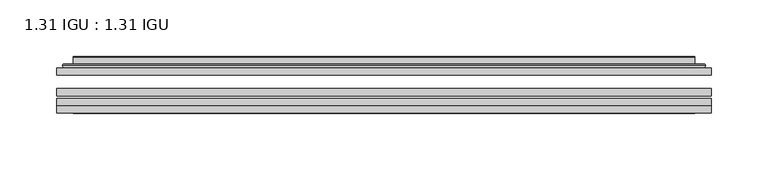
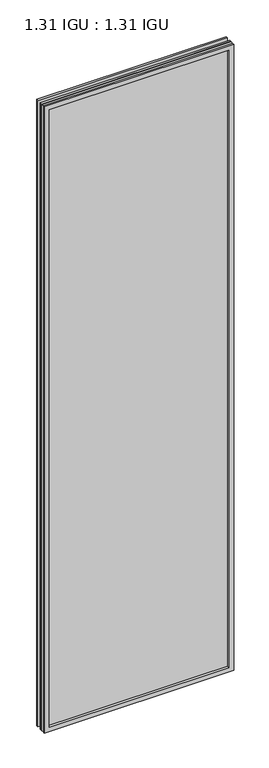
"""IFC4 building model written with IfcOpenShell, lengths in millimetres: plate geometry, 1.31 IGU : 1.31 IGU."""

from ifc_helpers import new_model, si_unit, frame, origin, place, context, project, spatial, polyline, ellipse_curve, outline, extrude, faceted_brep, source, transform, mapped, element, save
from ifc_brep_helpers import plane_surface, cylinder_surface, advanced_brep


def plate_1_31_igu_1_31_igu_a80e50a6(model_context):
    return source(origin(), model_context, "Body", "SolidModel", [
        extrude(outline(polyline([(287.351675, -63.59525), (287.351675, -69.94525), (-287.3375, -69.94525), (-287.3375, -63.59525), (287.351675, -63.59525)])), frame((0.0, 0.0, -14.2875), z_axis=(0.0, 0.0, 1.0), x_axis=(1.0, 0.0, 0.0)), (0.0, 0.0, 1.0), 2009.8015278),
        extrude(outline(polyline([(-287.3375, -78.58125), (-287.3375, -72.230745), (287.351675, -72.230745), (287.351675, -78.58125), (-287.3375, -78.58125)])), frame((0.0, 0.0, -14.2875), z_axis=(0.0, 0.0, 1.0), x_axis=(1.0, 0.0, 0.0)), (0.0, 0.0, 1.0), 2009.8015278),
        extrude(outline(polyline([(287.351675, -45.25645), (287.351675, -51.60645), (-287.3375, -51.60645), (-287.3375, -45.25645), (287.351675, -45.25645)])), frame((0.0, 0.0, -14.2875), z_axis=(0.0, 0.0, 1.0), x_axis=(1.0, 0.0, 0.0)), (0.0, 0.0, 1.0), 2009.8015278),
        faceted_brep([(-287.3502, -84.93125, 1995.5229299), (-287.3502, -78.58125, 1995.5229299), (-287.3502, -78.58125, -14.3002), (-287.3502, -84.93125, -14.3002), (287.3502, -78.58125, -14.3002), (287.3502, -84.93125, -14.3002), (287.3502, -78.58125, 1995.5229299), (287.3502, -84.93125, 1995.5229299), (-272.1522559, -78.58125, 0.8977441), (272.1522559, -78.58125, 0.8977441), (272.1522559, -78.58125, 1980.3249858), (-272.1522559, -78.58125, 1980.3249858), (-273.0446902, -84.93125, 1981.2174201), (273.0446902, -84.93125, 1981.2174201), (273.0446902, -84.93125, 0.0053098), (-273.0446902, -84.93125, 0.0053098)], [[[0, 1, 2, 3]], [[3, 2, 4, 5]], [[5, 4, 6, 7]], [[1, 6, 4, 2], [8, 9, 10, 11]], [[7, 6, 1, 0]], [[3, 5, 7, 0], [12, 13, 14, 15]], [[11, 12, 15, 8]], [[8, 15, 14, 9]], [[9, 14, 13, 10]], [[10, 13, 12, 11]]]),
        advanced_brep(
        [(-280.096219, -45.25645, 1988.2689489), (-282.4504244, -43.2667833, 1990.6231543), (-282.4504244, -43.2667833, -9.4004244), (-280.096219, -45.25645, -7.046219), (-271.0218939, -41.416413, 1979.1946238), (-266.0870621, -45.25645, 1974.2597919), (-266.0870621, -45.25645, 6.9629379), (-271.0218939, -41.416413, 2.0281061), (-272.0539217, -36.0191819, 1980.2266515), (-272.0539217, -36.0191819, 0.9960783), (-273.0445784, -35.6202069, 1981.2173083), (-273.0445784, -35.6202069, 0.0054216), (-273.0445784, -42.08145, 1981.2173083), (-273.0445784, -42.08145, 0.0054216), (-281.4486349, -42.08145, 1989.6213648), (-281.4486349, -42.08145, -8.3986349), (282.4504244, -43.2667833, -9.4004244), (280.096219, -45.25645, -7.046219), (266.0870621, -45.25645, 6.9629379), (271.0218939, -41.416413, 2.0281061), (272.0539217, -36.0191819, 0.9960783), (273.0445784, -35.6202069, 0.0054216), (273.0445784, -42.08145, 0.0054216), (281.4486349, -42.08145, -8.3986349), (282.4504244, -43.2667833, 1990.6231543), (280.096219, -45.25645, 1988.2689489), (266.0870621, -45.25645, 1974.2597919), (271.0218939, -41.416413, 1979.1946238), (272.0539217, -36.0191819, 1980.2266515), (273.0445784, -35.6202069, 1981.2173083), (273.0445784, -42.08145, 1981.2173083), (281.4486349, -42.08145, 1989.6213648)],
        [
            (0, 1, ellipse_curve(frame((-280.096219, -42.86885, 1988.2689489), z_axis=(-0.7071067811865475, 0.0, -0.7071067811865475), x_axis=(-0.7071067811865474, 0.0, 0.7071067811865476)), 3.3765763, 2.3876)),
            (1, 2),
            (2, 3, ellipse_curve(frame((-280.096219, -42.86885, -7.046219), z_axis=(-0.7071067811865475, 0.0, 0.7071067811865475), x_axis=(0.7071067811865474, 0.0, 0.7071067811865476)), 3.3765763, 2.3876)),
            (3, 0),
            (4, 5),
            (5, 6),
            (6, 7),
            (7, 4),
            (8, 4),
            (7, 9),
            (9, 8),
            (10, 8, ellipse_curve(frame((-272.6776219, -36.1384423, 1980.8503517), z_axis=(-0.7071067811865475, 0.0, -0.7071067811865475), x_axis=(-0.7071067811865474, 0.0, 0.7071067811865476)), 0.8980256, 0.635)),
            (9, 11, ellipse_curve(frame((-272.6776219, -36.1384423, 0.3723781), z_axis=(-0.7071067811865475, 0.0, 0.7071067811865475), x_axis=(0.7071067811865474, 0.0, 0.7071067811865476)), 0.8980256, 0.635)),
            (11, 10),
            (12, 10),
            (11, 13),
            (13, 12),
            (1, 14, ellipse_curve(frame((-281.4486349, -43.09745, 1989.6213648), z_axis=(-0.7071067811865475, 0.0, -0.7071067811865475), x_axis=(-0.7071067811865474, 0.0, 0.7071067811865476)), 1.436841, 1.016)),
            (14, 15),
            (15, 2, ellipse_curve(frame((-281.4486349, -43.09745, -8.3986349), z_axis=(-0.7071067811865475, 0.0, 0.7071067811865475), x_axis=(0.7071067811865474, 0.0, 0.7071067811865476)), 1.436841, 1.016)),
            (2, 16),
            (16, 17, ellipse_curve(frame((280.096219, -42.86885, -7.046219), z_axis=(-0.7071067811865475, 0.0, -0.7071067811865475), x_axis=(-0.7071067811865476, 0.0, 0.7071067811865474)), 3.3765763, 2.3876)),
            (17, 3),
            (6, 18),
            (18, 19),
            (19, 7),
            (19, 20),
            (20, 9),
            (20, 21, ellipse_curve(frame((272.6776219, -36.1384423, 0.3723781), z_axis=(-0.7071067811865475, 0.0, -0.7071067811865475), x_axis=(-0.7071067811865476, 0.0, 0.7071067811865474)), 0.8980256, 0.635)),
            (21, 11),
            (21, 22),
            (22, 13),
            (15, 23),
            (23, 16, ellipse_curve(frame((281.4486349, -43.09745, -8.3986349), z_axis=(-0.7071067811865475, 0.0, -0.7071067811865475), x_axis=(-0.7071067811865476, 0.0, 0.7071067811865474)), 1.436841, 1.016)),
            (16, 24),
            (24, 25, ellipse_curve(frame((280.096219, -42.86885, 1988.2689489), z_axis=(0.7071067811865475, 0.0, -0.7071067811865475), x_axis=(-0.7071067811865474, 0.0, -0.7071067811865476)), 3.3765763, 2.3876)),
            (25, 17),
            (18, 26),
            (26, 27),
            (27, 19),
            (27, 28),
            (28, 20),
            (28, 29, ellipse_curve(frame((272.6776219, -36.1384423, 1980.8503517), z_axis=(0.7071067811865475, 0.0, -0.7071067811865475), x_axis=(-0.7071067811865474, 0.0, -0.7071067811865476)), 0.8980256, 0.635)),
            (29, 21),
            (29, 30),
            (30, 22),
            (23, 31),
            (31, 24, ellipse_curve(frame((281.4486349, -43.09745, 1989.6213648), z_axis=(0.7071067811865475, 0.0, -0.7071067811865475), x_axis=(-0.7071067811865474, 0.0, -0.7071067811865476)), 1.436841, 1.016)),
            (24, 1),
            (0, 25),
            (5, 26),
            (4, 27),
            (8, 28),
            (10, 29),
            (12, 30),
            (14, 31),
        ],
        [
            cylinder_surface(frame((-280.096219, -42.86885, 2012.9727299), z_axis=(0.0, 0.0, 1.0), x_axis=(-1.0, 0.0, 0.0)), 2.3876),
            plane_surface(frame((-266.0870621, -45.25645, 1974.2597919), z_axis=(0.6141233906514794, 0.7892100234124821, 0.0), x_axis=(0.0, 0.0, -1.0))),
            plane_surface(frame((-271.0218939, -41.416413, 1979.1946238), z_axis=(0.9822050625507729, 0.18781164793386076, 0.0), x_axis=(0.0, 0.0, -1.0))),
            cylinder_surface(frame((-272.6776219, -36.1384423, 2012.9727299), z_axis=(0.0, 0.0, 1.0), x_axis=(-1.0, 0.0, 0.0)), 0.635),
            plane_surface(frame((-273.0445784, -35.6202069, 1981.2173083), z_axis=(-1.0, 0.0, 0.0), x_axis=(0.0, 0.0, -1.0))),
            cylinder_surface(frame((-281.4486349, -43.09745, 2012.9727299), z_axis=(0.0, 0.0, 1.0), x_axis=(-1.0, 0.0, 0.0)), 1.016),
            cylinder_surface(frame((-304.8, -42.86885, -7.046219), z_axis=(-1.0, 0.0, 0.0), x_axis=(0.0, 0.0, -1.0)), 2.3876),
            plane_surface(frame((-266.0870621, -45.25645, 6.9629379), z_axis=(0.0, 0.7892100234124841, 0.6141233906514768), x_axis=(1.0, 0.0, 0.0))),
            plane_surface(frame((-271.0218939, -41.416413, 2.0281061), z_axis=(0.0, 0.18781164793386393, 0.9822050625507723), x_axis=(1.0, 0.0, 0.0))),
            cylinder_surface(frame((-304.8, -36.1384423, 0.3723781), z_axis=(-1.0, 0.0, 0.0), x_axis=(0.0, 0.0, -1.0)), 0.635),
            plane_surface(frame((-273.0445784, -35.6202069, 0.0054216), z_axis=(0.0, 0.0, -1.0), x_axis=(1.0, 0.0, 0.0))),
            cylinder_surface(frame((-304.8, -43.09745, -8.3986349), z_axis=(-1.0, 0.0, 0.0), x_axis=(0.0, 0.0, -1.0)), 1.016),
            cylinder_surface(frame((280.096219, -42.86885, -31.75), z_axis=(0.0, 0.0, -1.0), x_axis=(1.0, 0.0, 0.0)), 2.3876),
            plane_surface(frame((266.0870621, -45.25645, 6.9629379), z_axis=(-0.6141233906514743, 0.7892100234124861, 0.0), x_axis=(0.0, 0.0, 1.0))),
            plane_surface(frame((271.0218939, -41.416413, 2.0281061), z_axis=(-0.9822050625507718, 0.1878116479338671, 0.0), x_axis=(0.0, 0.0, 1.0))),
            cylinder_surface(frame((272.6776219, -36.1384423, -31.75), z_axis=(0.0, 0.0, -1.0), x_axis=(1.0, 0.0, 0.0)), 0.635),
            plane_surface(frame((273.0445784, -35.6202069, 0.0054216), z_axis=(1.0, 0.0, 0.0), x_axis=(0.0, 0.0, 1.0))),
            cylinder_surface(frame((281.4486349, -43.09745, -31.75), z_axis=(0.0, 0.0, -1.0), x_axis=(1.0, 0.0, 0.0)), 1.016),
            cylinder_surface(frame((304.8, -42.86885, 1988.2689489), z_axis=(1.0, 0.0, 0.0), x_axis=(0.0, 0.0, 1.0)), 2.3876),
            plane_surface(frame((280.096219, -45.25645, 1988.2689489), z_axis=(0.0, -1.0, 0.0), x_axis=(-1.0, 0.0, 0.0))),
            plane_surface(frame((266.0870621, -45.25645, 1974.2597919), z_axis=(0.0, 0.7892100234124841, -0.6141233906514768), x_axis=(-1.0, 0.0, 0.0))),
            plane_surface(frame((271.0218939, -41.416413, 1979.1946238), z_axis=(0.0, 0.18781164793386393, -0.9822050625507723), x_axis=(-1.0, 0.0, 0.0))),
            cylinder_surface(frame((304.8, -36.1384423, 1980.8503517), z_axis=(1.0, 0.0, 0.0), x_axis=(0.0, 0.0, 1.0)), 0.635),
            plane_surface(frame((273.0445784, -35.6202069, 1981.2173083), z_axis=(0.0, 0.0, 1.0), x_axis=(-1.0, 0.0, 0.0))),
            plane_surface(frame((273.0445784, -42.08145, 1981.2173083), z_axis=(0.0, 1.0, 0.0), x_axis=(-1.0, 0.0, 0.0))),
            cylinder_surface(frame((304.8, -43.09745, 1989.6213648), z_axis=(1.0, 0.0, 0.0), x_axis=(0.0, 0.0, 1.0)), 1.016),
        ],
        [
            (0, [[1, 2, 3, 4]]),
            (1, [[5, 6, 7, 8]]),
            (2, [[9, -8, 10, 11]]),
            (3, [[12, -11, 13, 14]]),
            (4, [[15, -14, 16, 17]]),
            (5, [[18, 19, 20, -2]]),
            (6, [[-3, 21, 22, 23]]),
            (7, [[-7, 24, 25, 26]]),
            (8, [[-10, -26, 27, 28]]),
            (9, [[-13, -28, 29, 30]]),
            (10, [[-16, -30, 31, 32]]),
            (11, [[-20, 33, 34, -21]]),
            (12, [[-22, 35, 36, 37]]),
            (13, [[-25, 38, 39, 40]]),
            (14, [[-27, -40, 41, 42]]),
            (15, [[-29, -42, 43, 44]]),
            (16, [[-31, -44, 45, 46]]),
            (17, [[-34, 47, 48, -35]]),
            (18, [[-36, 49, -1, 50]]),
            (19, [[-23, -37, -50, -4], [51, -38, -24, -6]]),
            (20, [[-39, -51, -5, 52]]),
            (21, [[-41, -52, -9, 53]]),
            (22, [[-43, -53, -12, 54]]),
            (23, [[-45, -54, -15, 55]]),
            (24, [[56, -47, -33, -19], [-32, -46, -55, -17]]),
            (25, [[-48, -56, -18, -49]]),
        ],
    ),
    ])


if __name__ == "__main__":
    model = new_model("IFC4")
    model_context = context("Model", 3, world=origin())
    ifc_project = project(units=[si_unit("LENGTHUNIT", "METRE", prefix="MILLI")], contexts=[model_context])
    site = spatial("IfcSite", under=ifc_project)
    building = spatial("IfcBuilding", under=site)
    placement = place(None, origin())
    plate_1_31_igu_1_31_igu_shape = plate_1_31_igu_1_31_igu_a80e50a6(model_context)
    element("IfcPlate", 1, ObjectType="1.31 IGU : 1.31 IGU", at=placement, inside=building, context=model_context, shape_type="MappedRepresentation", body=[
        mapped(plate_1_31_igu_1_31_igu_shape, transform((0.0, 0.0, 0.0), x_axis=(1.0, 0.0, 0.0), y_axis=(0.0, 1.0, 0.0), z_axis=(0.0, 0.0, 1.0))),
    ])
    save(model, "model.ifc")
